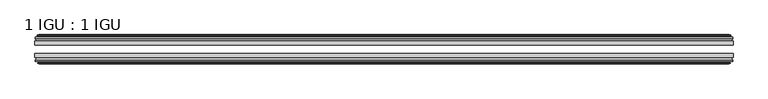
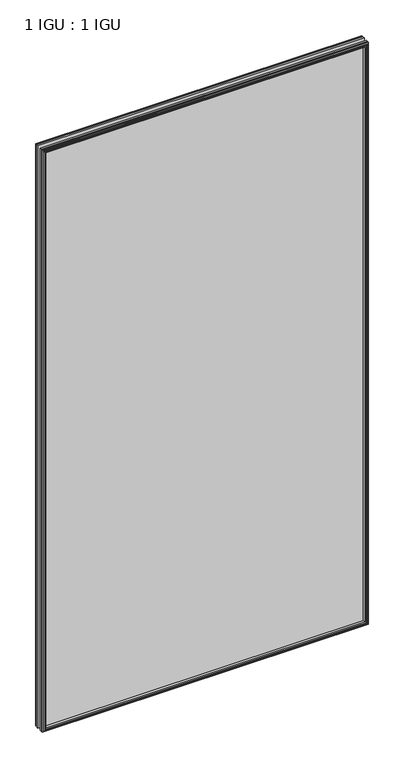
"""IFC4 building model written with IfcOpenShell, lengths in millimetres: plate geometry, 1 IGU : 1 IGU."""

from ifc_helpers import new_model, si_unit, frame, origin, place, context, project, spatial, polyline, outline, extrude, faceted_brep, source, transform, mapped, element, save


def plate_1_igu_1_igu_5a5e1db9(model_context):
    return source(origin(), model_context, "Body", "SolidModel", [
        extrude(outline(polyline([(536.0659352, -19.5460937), (536.0659352, -25.8960938), (-536.0659352, -25.8960938), (-536.0659352, -19.5460937), (536.0659352, -19.5460937)])), frame((0.0, 0.0, -12.7), z_axis=(0.0, 0.0, 1.0), x_axis=(1.0, 0.0, 0.0)), (0.0, 0.0, 1.0), 2019.3),
        extrude(outline(polyline([(-536.0659352, -44.9460938), (-536.0659352, -38.9186737), (536.0659352, -38.9186737), (536.0659352, -44.9460938), (-536.0659352, -44.9460938)])), frame((0.0, 0.0, -12.7), z_axis=(0.0, 0.0, 1.0), x_axis=(1.0, 0.0, 0.0)), (0.0, 0.0, 1.0), 2019.3),
        faceted_brep([(-530.4779352, -53.6762907, 2001.012), (-530.8589352, -51.2960937, 2001.393), (-530.8589352, -51.2960937, -7.493), (-530.4779352, -53.6762907, -7.112), (-531.8934643, -53.2163575, 2002.4275291), (-531.8934643, -53.2163575, -8.5275291), (-531.8934643, -54.0175717, 2002.4275291), (-531.8934643, -54.0175717, -8.5275291), (-529.7159352, -54.7250937, 2000.25), (-529.7159352, -54.7250937, -6.35), (-527.5384062, -54.0175717, 1998.0724709), (-527.5384062, -54.0175717, -4.1724709), (-527.5384062, -53.2163575, 1998.0724709), (-527.5384062, -53.2163575, -4.1724709), (-528.9539352, -53.6762907, 1999.488), (-528.9539352, -53.6762907, -5.588), (-528.5729352, -51.2960937, 1999.107), (-528.5729352, -51.2960937, -5.207), (-521.6482171, -44.9460937, 1992.1822819), (-523.3659352, -51.2960937, 1993.9), (-523.3659352, -51.2960937, 0.0), (-521.6482171, -44.9460937, 1.7177181), (-535.3039352, -48.3496937, 2005.838), (-532.4695931, -44.9460937, 2003.0036578), (-532.4695931, -44.9460937, -9.1036578), (-535.3039352, -48.3496937, -11.938), (-535.3039352, -51.2960937, 2005.838), (-535.3039352, -51.2960937, -11.938), (530.8589352, -51.2960938, -7.493), (530.4779352, -53.6762907, -7.112), (531.8934643, -53.2163575, -8.5275291), (531.8934643, -54.0175717, -8.5275291), (529.7159352, -54.7250937, -6.35), (527.5384062, -54.0175717, -4.1724709), (527.5384062, -53.2163575, -4.1724709), (528.9539352, -53.6762907, -5.588), (528.5729352, -51.2960937, -5.207), (523.3659352, -51.2960937, 0.0), (521.6482171, -44.9460937, 1.7177181), (532.4695931, -44.9460937, -9.1036578), (535.3039352, -48.3496937, -11.938), (535.3039352, -51.2960938, -11.938), (530.8589352, -51.2960938, 2001.393), (530.4779352, -53.6762907, 2001.012), (531.8934643, -53.2163575, 2002.4275291), (531.8934643, -54.0175717, 2002.4275291), (529.7159352, -54.7250937, 2000.25), (527.5384062, -54.0175717, 1998.0724709), (527.5384062, -53.2163575, 1998.0724709), (528.9539352, -53.6762907, 1999.488), (528.5729352, -51.2960937, 1999.107), (523.3659352, -51.2960937, 1993.9), (521.6482171, -44.9460937, 1992.1822819), (532.4695931, -44.9460937, 2003.0036578), (535.3039352, -48.3496937, 2005.838), (535.3039352, -51.2960938, 2005.838)], [[[0, 1, 2, 3]], [[4, 0, 3, 5]], [[6, 4, 5, 7]], [[8, 6, 7, 9]], [[10, 8, 9, 11]], [[12, 10, 11, 13]], [[14, 12, 13, 15]], [[16, 14, 15, 17]], [[18, 19, 20, 21]], [[22, 23, 24, 25]], [[26, 22, 25, 27]], [[3, 2, 28, 29]], [[5, 3, 29, 30]], [[7, 5, 30, 31]], [[9, 7, 31, 32]], [[11, 9, 32, 33]], [[13, 11, 33, 34]], [[15, 13, 34, 35]], [[17, 15, 35, 36]], [[21, 20, 37, 38]], [[25, 24, 39, 40]], [[27, 25, 40, 41]], [[29, 28, 42, 43]], [[30, 29, 43, 44]], [[31, 30, 44, 45]], [[32, 31, 45, 46]], [[33, 32, 46, 47]], [[34, 33, 47, 48]], [[35, 34, 48, 49]], [[36, 35, 49, 50]], [[38, 37, 51, 52]], [[40, 39, 53, 54]], [[41, 40, 54, 55]], [[27, 41, 55, 26], [1, 42, 28, 2]], [[43, 42, 1, 0]], [[44, 43, 0, 4]], [[45, 44, 4, 6]], [[46, 45, 6, 8]], [[47, 46, 8, 10]], [[48, 47, 10, 12]], [[49, 48, 12, 14]], [[50, 49, 14, 16]], [[17, 36, 50, 16], [19, 51, 37, 20]], [[52, 51, 19, 18]], [[23, 53, 39, 24], [21, 38, 52, 18]], [[54, 53, 23, 22]], [[55, 54, 22, 26]]]),
        faceted_brep([(-532.9902931, -19.5460937, 2003.5243578), (-535.8246352, -16.1424937, 2006.3587), (-535.8246352, -16.1424937, -12.4587), (-532.9902931, -19.5460937, -9.6243578), (-523.8866352, -13.1960937, 1994.4207), (-522.1689171, -19.5460937, 1992.7029819), (-522.1689171, -19.5460937, 1.1970181), (-523.8866352, -13.1960937, -0.5207), (-529.4746352, -10.8158968, 2000.0087), (-529.0936352, -13.1960937, 1999.6277), (-529.0936352, -13.1960937, -5.7277), (-529.4746352, -10.8158968, -6.1087), (-528.0591062, -11.27583, 1998.5931709), (-528.0591062, -11.27583, -4.6931709), (-528.0591062, -10.4746158, 1998.5931709), (-528.0591062, -10.4746158, -4.6931709), (-530.2366352, -9.7670937, 2000.7707), (-530.2366352, -9.7670937, -6.8707), (-532.4141643, -10.4746158, 2002.9482291), (-532.4141643, -10.4746158, -9.0482291), (-532.4141643, -11.27583, 2002.9482291), (-532.4141643, -11.27583, -9.0482291), (-530.9986352, -10.8158968, 2001.5327), (-530.9986352, -10.8158968, -7.6327), (-531.3796352, -13.1960937, 2001.9137), (-531.3796352, -13.1960937, -8.0137), (-535.8246352, -13.1960937, 2006.3587), (-535.8246352, -13.1960937, -12.4587), (535.8246352, -16.1424937, -12.4587), (532.9902931, -19.5460937, -9.6243578), (522.1689171, -19.5460937, 1.1970181), (523.8866352, -13.1960937, -0.5207), (529.0936352, -13.1960937, -5.7277), (529.4746352, -10.8158968, -6.1087), (528.0591062, -11.27583, -4.6931709), (528.0591062, -10.4746158, -4.6931709), (530.2366352, -9.7670937, -6.8707), (532.4141643, -10.4746158, -9.0482291), (532.4141643, -11.27583, -9.0482291), (530.9986352, -10.8158968, -7.6327), (531.3796352, -13.1960937, -8.0137), (535.8246352, -13.1960937, -12.4587), (535.8246352, -16.1424937, 2006.3587), (532.9902931, -19.5460937, 2003.5243578), (522.1689171, -19.5460937, 1992.7029819), (523.8866352, -13.1960937, 1994.4207), (529.0936352, -13.1960937, 1999.6277), (529.4746352, -10.8158968, 2000.0087), (528.0591062, -11.27583, 1998.5931709), (528.0591062, -10.4746158, 1998.5931709), (530.2366352, -9.7670937, 2000.7707), (532.4141643, -10.4746158, 2002.9482291), (532.4141643, -11.27583, 2002.9482291), (530.9986352, -10.8158968, 2001.5327), (531.3796352, -13.1960937, 2001.9137), (535.8246352, -13.1960937, 2006.3587)], [[[0, 1, 2, 3]], [[4, 5, 6, 7]], [[8, 9, 10, 11]], [[12, 8, 11, 13]], [[14, 12, 13, 15]], [[16, 14, 15, 17]], [[18, 16, 17, 19]], [[20, 18, 19, 21]], [[22, 20, 21, 23]], [[24, 22, 23, 25]], [[1, 26, 27, 2]], [[3, 2, 28, 29]], [[7, 6, 30, 31]], [[11, 10, 32, 33]], [[13, 11, 33, 34]], [[15, 13, 34, 35]], [[17, 15, 35, 36]], [[19, 17, 36, 37]], [[21, 19, 37, 38]], [[23, 21, 38, 39]], [[25, 23, 39, 40]], [[2, 27, 41, 28]], [[29, 28, 42, 43]], [[31, 30, 44, 45]], [[33, 32, 46, 47]], [[34, 33, 47, 48]], [[35, 34, 48, 49]], [[36, 35, 49, 50]], [[37, 36, 50, 51]], [[38, 37, 51, 52]], [[39, 38, 52, 53]], [[40, 39, 53, 54]], [[28, 41, 55, 42]], [[43, 42, 1, 0]], [[3, 29, 43, 0], [5, 44, 30, 6]], [[45, 44, 5, 4]], [[9, 46, 32, 10], [7, 31, 45, 4]], [[47, 46, 9, 8]], [[48, 47, 8, 12]], [[49, 48, 12, 14]], [[50, 49, 14, 16]], [[51, 50, 16, 18]], [[52, 51, 18, 20]], [[53, 52, 20, 22]], [[54, 53, 22, 24]], [[26, 55, 41, 27], [25, 40, 54, 24]], [[42, 55, 26, 1]]]),
    ])


if __name__ == "__main__":
    model = new_model("IFC4")
    model_context = context("Model", 3, world=origin())
    ifc_project = project(units=[si_unit("LENGTHUNIT", "METRE", prefix="MILLI")], contexts=[model_context])
    site = spatial("IfcSite", under=ifc_project)
    building = spatial("IfcBuilding", under=site)
    placement = place(None, origin())
    plate_1_igu_1_igu_shape = plate_1_igu_1_igu_5a5e1db9(model_context)
    element("IfcPlate", 1, ObjectType="1 IGU : 1 IGU", at=placement, inside=building, context=model_context, shape_type="MappedRepresentation", body=[
        mapped(plate_1_igu_1_igu_shape, transform((0.0, 0.0, 0.0), x_axis=(1.0, 0.0, 0.0), y_axis=(0.0, 1.0, 0.0), z_axis=(0.0, 0.0, 1.0))),
    ])
    save(model, "model.ifc")
